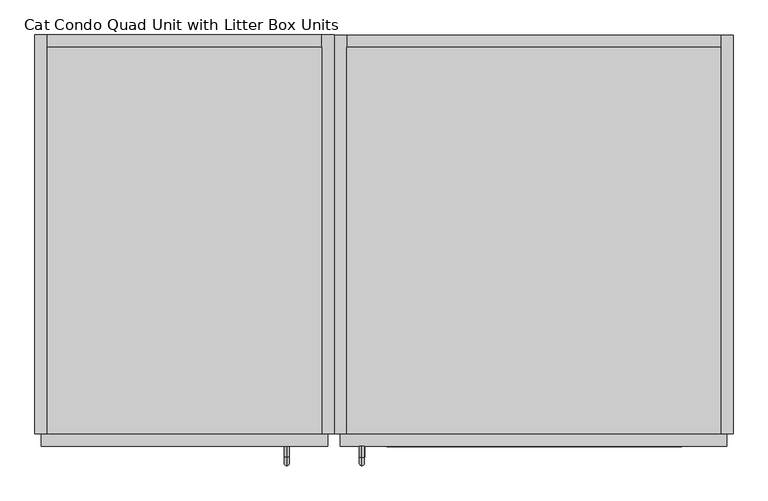
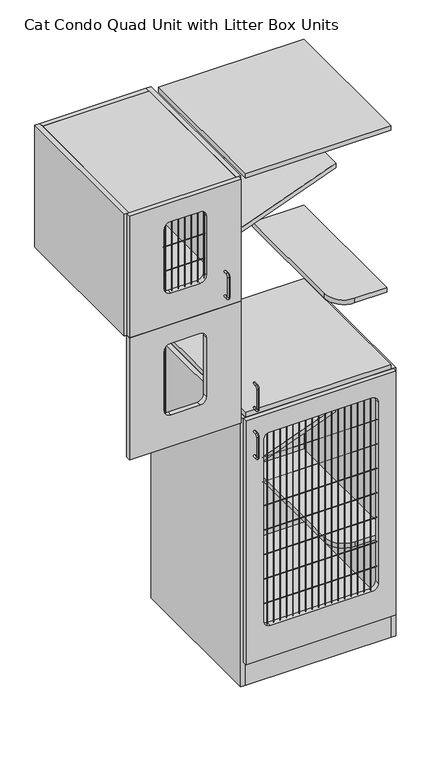
"""IFC4 building model written with IfcOpenShell, lengths in millimetres: proxy geometry, Cat Condo Quad Unit with Litter Box Units."""

from ifc_helpers import new_model, si_unit, point, frame, frame_2d, origin, origin_with_axes, place, context, project, spatial, polyline, circle_curve, ellipse_curve, trimmed, segment, composite_curve, outline, extrude, source, transform, mapped, element, save
from ifc_brep_helpers import plane_surface, cylinder_surface, revolved_surface, advanced_brep


def cat_condo_quad_unit_with_litter_box_units_791a8766(model_context):
    return source(origin(), model_context, "Body", "SolidModel", [
        extrude(outline(composite_curve([segment(trimmed(circle_curve(frame_2d((765.0919665, -9.6602248)), 0.79375), [point((764.2982165, -9.6602248))], [point((765.8857165, -9.6602248))], False, "CARTESIAN"), True, "CONTINUOUS"), segment(trimmed(circle_curve(frame_2d((765.0919665, -9.6602248)), 0.79375), [point((765.8857165, -9.6602248))], [point((764.2982165, -9.6602248))], False, "CARTESIAN"), True, "CONTINUOUS")], self_intersect=False)), frame((0.0, 0.0, 1243.0125), z_axis=(0.0, 0.0, 1.0), x_axis=(1.0, 0.0, 0.0)), (0.0, 0.0, 1.0), 298.45),
        extrude(outline(polyline([(1619.25, 1057.275), (1619.25, 619.125), (1112.8375, 619.125), (1112.8375, 1057.275), (1619.25, 1057.275)]), holes=[composite_curve([segment(polyline([(1539.875, 781.05), (1539.875, 895.35)]), True, "CONTINUOUS"), segment(trimmed(circle_curve(frame_2d((1514.475, 895.35)), 25.4), [point((1539.875, 895.35))], [point((1514.475, 920.75))], True, "CARTESIAN"), True, "CONTINUOUS"), segment(polyline([(1514.475, 920.75), (1268.4125, 920.75)]), True, "CONTINUOUS"), segment(trimmed(circle_curve(frame_2d((1268.4125, 895.35)), 25.4), [point((1268.4125, 920.75))], [point((1243.0125, 895.35))], True, "CARTESIAN"), True, "CONTINUOUS"), segment(polyline([(1243.0125, 895.35), (1243.0125, 781.05)]), True, "CONTINUOUS"), segment(trimmed(circle_curve(frame_2d((1268.4125, 781.05)), 25.4), [point((1243.0125, 781.05))], [point((1268.4125, 755.65))], True, "CARTESIAN"), True, "CONTINUOUS"), segment(polyline([(1268.4125, 755.65), (1514.475, 755.65)]), True, "CONTINUOUS"), segment(trimmed(circle_curve(frame_2d((1514.475, 781.05)), 25.4), [point((1514.475, 755.65))], [point((1539.875, 781.05))], True, "CARTESIAN"), True, "CONTINUOUS")], self_intersect=False)]), frame((0.0, -19.05, 0.0), z_axis=(0.0, 1.0, 0.0), x_axis=(0.0, 0.0, 1.0)), (0.0, 0.0, 1.0), 19.05),
        advanced_brep(
        [(994.1819084, -19.05, 1761.3743154), (994.1819084, -19.05, 1769.2256846), (994.1819084, -35.2117768, 1761.3743154), (994.1819084, -35.2117768, 1769.2256846), (994.1819084, -48.3756846, 1756.0617768), (994.1819084, -40.5243154, 1756.0617768), (994.1819084, -40.5243154, 1672.9382232), (994.1819084, -48.3756846, 1672.9382232), (994.1819084, -35.2117768, 1659.7743154), (994.1819084, -35.2117768, 1667.6256846), (994.1819084, -19.05, 1667.6256846), (994.1819084, -19.05, 1659.7743154)],
        [
            (0, 1, circle_curve(frame((994.1819084, -19.05, 1765.3), z_axis=(0.0, 1.0, 0.0), x_axis=(0.0, 0.0, 1.0)), 3.9256846)),
            (1, 0, circle_curve(frame((994.1819084, -19.05, 1765.3), z_axis=(0.0, 1.0, 0.0), x_axis=(0.0, 0.0, 1.0)), 3.9256846)),
            (0, 2),
            (2, 3, circle_curve(frame((994.1819084, -35.2117768, 1765.3), z_axis=(0.0, 1.0, 0.0), x_axis=(0.0, 0.0, 1.0)), 3.9256846)),
            (3, 1),
            (3, 2, circle_curve(frame((994.1819084, -35.2117768, 1765.3), z_axis=(0.0, 1.0, 0.0), x_axis=(0.0, 0.0, 1.0)), 3.9256846)),
            (4, 3, circle_curve(frame((994.1819084, -35.2117768, 1756.0617768), z_axis=(-1.0, 0.0, 0.0), x_axis=(0.0, 0.0, 1.0)), 13.1639078)),
            (2, 5, circle_curve(frame((994.1819084, -35.2117768, 1756.0617768), z_axis=(1.0, 0.0, 0.0), x_axis=(0.0, 0.0, 1.0)), 5.3125387)),
            (5, 4, circle_curve(frame((994.1819084, -44.45, 1756.0617768), z_axis=(0.0, 0.0, 1.0), x_axis=(0.0, -1.0000000000000002, 0.0)), 3.9256846)),
            (4, 5, circle_curve(frame((994.1819084, -44.45, 1756.0617768), z_axis=(0.0, 0.0, 1.0), x_axis=(0.0, -1.0000000000000002, 0.0)), 3.9256846)),
            (5, 6),
            (6, 7, circle_curve(frame((994.1819084, -44.45, 1672.9382232), z_axis=(0.0, 0.0, 1.0), x_axis=(0.0, -1.0000000000000002, 0.0)), 3.9256846)),
            (7, 4),
            (7, 6, circle_curve(frame((994.1819084, -44.45, 1672.9382232), z_axis=(0.0, 0.0, 1.0), x_axis=(0.0, -1.0000000000000002, 0.0)), 3.9256846)),
            (8, 7, circle_curve(frame((994.1819084, -35.2117768, 1672.9382232), z_axis=(-1.0, 0.0, 0.0), x_axis=(0.0, -1.0000000000000002, 0.0)), 13.1639078)),
            (6, 9, circle_curve(frame((994.1819084, -35.2117768, 1672.9382232), z_axis=(1.0, 0.0, 0.0), x_axis=(0.0, -1.0000000000000002, 0.0)), 5.3125387)),
            (9, 8, circle_curve(frame((994.1819084, -35.2117768, 1663.7), z_axis=(0.0, -1.0000000000000002, 0.0), x_axis=(0.0, 0.0, -1.0)), 3.9256846)),
            (8, 9, circle_curve(frame((994.1819084, -35.2117768, 1663.7), z_axis=(0.0, -1.0000000000000002, 0.0), x_axis=(0.0, 0.0, -1.0)), 3.9256846)),
            (10, 11, circle_curve(frame((994.1819084, -19.05, 1663.7), z_axis=(0.0, 1.0, 0.0), x_axis=(0.0, 0.0, -1.0)), 3.9256846)),
            (11, 10, circle_curve(frame((994.1819084, -19.05, 1663.7), z_axis=(0.0, 1.0, 0.0), x_axis=(0.0, 0.0, -1.0)), 3.9256846)),
            (9, 10),
            (11, 8),
        ],
        [
            plane_surface(frame((994.1819084, -19.05, 1765.3), z_axis=(0.0, 1.0, 0.0), x_axis=(1.0, 0.0, 0.0))),
            cylinder_surface(frame((994.1819084, -19.05, 1765.3), z_axis=(0.0, 1.0000000000000002, 0.0), x_axis=(0.0, 0.0, 1.0)), 3.9256846),
            revolved_surface(trimmed(ellipse_curve(frame((994.1819084, -35.2117768, 1765.3), z_axis=(0.0, 1.0000000000000002, 0.0), x_axis=(0.0, 0.0, 1.0)), 3.9256846, 3.9256846), [point((994.1819084, -35.2117768, 1761.3743154))], [point((994.1819084, -35.2117768, 1769.2256846))], True, "CARTESIAN"), (994.1819084, -35.2117768, 1756.0617768), (1.0000000000000002, 0.0, 0.0)),
            revolved_surface(trimmed(ellipse_curve(frame((994.1819084, -35.2117768, 1765.3), z_axis=(0.0, 1.0000000000000002, 0.0), x_axis=(0.0, 0.0, 1.0)), 3.9256846, 3.9256846), [point((994.1819084, -35.2117768, 1769.2256846))], [point((994.1819084, -35.2117768, 1761.3743154))], True, "CARTESIAN"), (994.1819084, -35.2117768, 1756.0617768), (1.0000000000000002, 0.0, 0.0)),
            cylinder_surface(frame((994.1819084, -44.45, 1756.0617768), z_axis=(0.0, 0.0, 1.0), x_axis=(0.0, -1.0000000000000002, 0.0)), 3.9256846),
            revolved_surface(trimmed(ellipse_curve(frame((994.1819084, -44.45, 1672.9382232), z_axis=(0.0, 0.0, 1.0), x_axis=(0.0, -1.0000000000000002, 0.0)), 3.9256846, 3.9256846), [point((994.1819084, -40.5243154, 1672.9382232))], [point((994.1819084, -48.3756846, 1672.9382232))], True, "CARTESIAN"), (994.1819084, -35.2117768, 1672.9382232), (1.0000000000000002, 0.0, 0.0)),
            revolved_surface(trimmed(ellipse_curve(frame((994.1819084, -44.45, 1672.9382232), z_axis=(0.0, 0.0, 1.0), x_axis=(0.0, -1.0000000000000002, 0.0)), 3.9256846, 3.9256846), [point((994.1819084, -48.3756846, 1672.9382232))], [point((994.1819084, -40.5243154, 1672.9382232))], True, "CARTESIAN"), (994.1819084, -35.2117768, 1672.9382232), (1.0000000000000002, 0.0, 0.0)),
            plane_surface(frame((994.1819084, -19.05, 1663.7), z_axis=(0.0, 1.0, 0.0), x_axis=(1.0, 0.0, 0.0))),
            cylinder_surface(frame((994.1819084, -35.2117768, 1663.7), z_axis=(0.0, -1.0000000000000002, 0.0), x_axis=(0.0, 0.0, -1.0)), 3.9256846),
        ],
        [
            (0, [[1, 2]]),
            (1, [[-1, 3, 4, 5]]),
            (1, [[-2, -5, 6, -3]]),
            (2, [[7, -4, 8, 9]]),
            (3, [[-8, -6, -7, 10]]),
            (4, [[-9, 11, 12, 13]]),
            (4, [[-10, -13, 14, -11]]),
            (5, [[15, -12, 16, 17]]),
            (6, [[-16, -14, -15, 18]]),
            (7, [[19, 20]]),
            (8, [[-17, 21, -20, 22]]),
            (8, [[-18, -22, -19, -21]]),
        ],
    ),
        extrude(outline(polyline([(1047.75, 590.55), (1047.75, 0.0), (628.65, 0.0), (628.65, 590.55), (1047.75, 590.55)])), frame((0.0, 0.0, 2106.6125), z_axis=(0.0, 0.0, 1.0), x_axis=(1.0, 0.0, 0.0)), (0.0, 0.0, 1.0), 19.05),
        extrude(outline(polyline([(1047.75, 0.0), (628.65, 0.0), (628.65, 590.55), (1047.75, 590.55), (1047.75, 0.0)])), frame((0.0, 0.0, 1619.25), z_axis=(0.0, 0.0, 1.0), x_axis=(1.0, 0.0, 0.0)), (0.0, 0.0, 1.0), 19.05),
        extrude(outline(polyline([(1047.75, 609.6), (1066.8, 609.6), (1066.8, 0.0), (1047.75, 0.0), (1047.75, 609.6)])), frame((0.0, 0.0, 1619.25), z_axis=(0.0, 0.0, 1.0), x_axis=(1.0, 0.0, 0.0)), (0.0, 0.0, 1.0), 506.4125),
        extrude(outline(polyline([(1047.75, 609.6), (1047.75, 590.55), (628.65, 590.55), (628.65, 609.6), (1047.75, 609.6)])), frame((0.0, 0.0, 1619.25), z_axis=(0.0, 0.0, 1.0), x_axis=(1.0, 0.0, 0.0)), (0.0, 0.0, 1.0), 506.4125),
        extrude(outline(polyline([(628.65, 609.6), (628.65, 0.0), (609.6, 0.0), (609.6, 609.6), (628.65, 609.6)])), frame((0.0, 0.0, 1619.25), z_axis=(0.0, 0.0, 1.0), x_axis=(1.0, 0.0, 0.0)), (0.0, 0.0, 1.0), 506.4125),
        extrude(outline(composite_curve([segment(trimmed(circle_curve(frame_2d((-9.6602248, 1943.1)), 0.79375), [point((-9.6602248, 1943.89375))], [point((-9.6602248, 1942.30625))], False, "CARTESIAN"), True, "CONTINUOUS"), segment(trimmed(circle_curve(frame_2d((-9.6602248, 1943.1)), 0.79375), [point((-9.6602248, 1942.30625))], [point((-9.6602248, 1943.89375))], False, "CARTESIAN"), True, "CONTINUOUS")], self_intersect=False)), frame((755.65, 0.0, 0.0), z_axis=(1.0, 0.0, 0.0), x_axis=(0.0, 1.0, 0.0)), (0.0, 0.0, 1.0), 165.1),
        extrude(outline(composite_curve([segment(trimmed(circle_curve(frame_2d((-9.6602248, 1839.9125)), 0.79375), [point((-9.6602248, 1840.70625))], [point((-9.6602248, 1839.11875))], False, "CARTESIAN"), True, "CONTINUOUS"), segment(trimmed(circle_curve(frame_2d((-9.6602248, 1839.9125)), 0.79375), [point((-9.6602248, 1839.11875))], [point((-9.6602248, 1840.70625))], False, "CARTESIAN"), True, "CONTINUOUS")], self_intersect=False)), frame((755.65, 0.0, 0.0), z_axis=(1.0, 0.0, 0.0), x_axis=(0.0, 1.0, 0.0)), (0.0, 0.0, 1.0), 165.1),
        extrude(outline(composite_curve([segment(trimmed(circle_curve(frame_2d((917.4919665, -9.6602248)), 0.79375), [point((916.6982165, -9.6602248))], [point((918.2857165, -9.6602248))], False, "CARTESIAN"), True, "CONTINUOUS"), segment(trimmed(circle_curve(frame_2d((917.4919665, -9.6602248)), 0.79375), [point((918.2857165, -9.6602248))], [point((916.6982165, -9.6602248))], False, "CARTESIAN"), True, "CONTINUOUS")], self_intersect=False)), frame((0.0, 0.0, 1749.425), z_axis=(0.0, 0.0, 1.0), x_axis=(1.0, 0.0, 0.0)), (0.0, 0.0, 1.0), 298.45),
        extrude(outline(composite_curve([segment(trimmed(circle_curve(frame_2d((892.0919665, -9.6602248)), 0.79375), [point((891.2982165, -9.6602248))], [point((892.8857165, -9.6602248))], False, "CARTESIAN"), True, "CONTINUOUS"), segment(trimmed(circle_curve(frame_2d((892.0919665, -9.6602248)), 0.79375), [point((892.8857165, -9.6602248))], [point((891.2982165, -9.6602248))], False, "CARTESIAN"), True, "CONTINUOUS")], self_intersect=False)), frame((0.0, 0.0, 1749.425), z_axis=(0.0, 0.0, 1.0), x_axis=(1.0, 0.0, 0.0)), (0.0, 0.0, 1.0), 298.45),
        extrude(outline(composite_curve([segment(trimmed(circle_curve(frame_2d((866.6919665, -9.6602248)), 0.79375), [point((865.8982165, -9.6602248))], [point((867.4857165, -9.6602248))], False, "CARTESIAN"), True, "CONTINUOUS"), segment(trimmed(circle_curve(frame_2d((866.6919665, -9.6602248)), 0.79375), [point((867.4857165, -9.6602248))], [point((865.8982165, -9.6602248))], False, "CARTESIAN"), True, "CONTINUOUS")], self_intersect=False)), frame((0.0, 0.0, 1749.425), z_axis=(0.0, 0.0, 1.0), x_axis=(1.0, 0.0, 0.0)), (0.0, 0.0, 1.0), 298.45),
        extrude(outline(composite_curve([segment(trimmed(circle_curve(frame_2d((841.2919665, -9.6602248)), 0.79375), [point((840.4982165, -9.6602248))], [point((842.0857165, -9.6602248))], False, "CARTESIAN"), True, "CONTINUOUS"), segment(trimmed(circle_curve(frame_2d((841.2919665, -9.6602248)), 0.79375), [point((842.0857165, -9.6602248))], [point((840.4982165, -9.6602248))], False, "CARTESIAN"), True, "CONTINUOUS")], self_intersect=False)), frame((0.0, 0.0, 1749.425), z_axis=(0.0, 0.0, 1.0), x_axis=(1.0, 0.0, 0.0)), (0.0, 0.0, 1.0), 298.45),
        extrude(outline(composite_curve([segment(trimmed(circle_curve(frame_2d((815.8919665, -9.6602248)), 0.79375), [point((815.0982165, -9.6602248))], [point((816.6857165, -9.6602248))], False, "CARTESIAN"), True, "CONTINUOUS"), segment(trimmed(circle_curve(frame_2d((815.8919665, -9.6602248)), 0.79375), [point((816.6857165, -9.6602248))], [point((815.0982165, -9.6602248))], False, "CARTESIAN"), True, "CONTINUOUS")], self_intersect=False)), frame((0.0, 0.0, 1749.425), z_axis=(0.0, 0.0, 1.0), x_axis=(1.0, 0.0, 0.0)), (0.0, 0.0, 1.0), 298.45),
        extrude(outline(composite_curve([segment(trimmed(circle_curve(frame_2d((790.4919665, -9.6602248)), 0.79375), [point((789.6982165, -9.6602248))], [point((791.2857165, -9.6602248))], False, "CARTESIAN"), True, "CONTINUOUS"), segment(trimmed(circle_curve(frame_2d((790.4919665, -9.6602248)), 0.79375), [point((791.2857165, -9.6602248))], [point((789.6982165, -9.6602248))], False, "CARTESIAN"), True, "CONTINUOUS")], self_intersect=False)), frame((0.0, 0.0, 1749.425), z_axis=(0.0, 0.0, 1.0), x_axis=(1.0, 0.0, 0.0)), (0.0, 0.0, 1.0), 298.45),
        extrude(outline(composite_curve([segment(trimmed(circle_curve(frame_2d((765.0919665, -9.6602248)), 0.79375), [point((764.2982165, -9.6602248))], [point((765.8857165, -9.6602248))], False, "CARTESIAN"), True, "CONTINUOUS"), segment(trimmed(circle_curve(frame_2d((765.0919665, -9.6602248)), 0.79375), [point((765.8857165, -9.6602248))], [point((764.2982165, -9.6602248))], False, "CARTESIAN"), True, "CONTINUOUS")], self_intersect=False)), frame((0.0, 0.0, 1749.425), z_axis=(0.0, 0.0, 1.0), x_axis=(1.0, 0.0, 0.0)), (0.0, 0.0, 1.0), 298.45),
        extrude(outline(composite_curve([segment(trimmed(circle_curve(frame_2d((892.0919665, -9.6602248)), 0.79375), [point((891.2982165, -9.6602248))], [point((892.8857165, -9.6602248))], False, "CARTESIAN"), True, "CONTINUOUS"), segment(trimmed(circle_curve(frame_2d((892.0919665, -9.6602248)), 0.79375), [point((892.8857165, -9.6602248))], [point((891.2982165, -9.6602248))], False, "CARTESIAN"), True, "CONTINUOUS")], self_intersect=False)), frame((0.0, 0.0, 1749.425), z_axis=(0.0, 0.0, 1.0), x_axis=(1.0, 0.0, 0.0)), (0.0, 0.0, 1.0), 298.45),
        extrude(outline(composite_curve([segment(trimmed(circle_curve(frame_2d((866.6919665, -9.6602248)), 0.79375), [point((865.8982165, -9.6602248))], [point((867.4857165, -9.6602248))], False, "CARTESIAN"), True, "CONTINUOUS"), segment(trimmed(circle_curve(frame_2d((866.6919665, -9.6602248)), 0.79375), [point((867.4857165, -9.6602248))], [point((865.8982165, -9.6602248))], False, "CARTESIAN"), True, "CONTINUOUS")], self_intersect=False)), frame((0.0, 0.0, 1749.425), z_axis=(0.0, 0.0, 1.0), x_axis=(1.0, 0.0, 0.0)), (0.0, 0.0, 1.0), 298.45),
        extrude(outline(composite_curve([segment(trimmed(circle_curve(frame_2d((841.2919665, -9.6602248)), 0.79375), [point((840.4982165, -9.6602248))], [point((842.0857165, -9.6602248))], False, "CARTESIAN"), True, "CONTINUOUS"), segment(trimmed(circle_curve(frame_2d((841.2919665, -9.6602248)), 0.79375), [point((842.0857165, -9.6602248))], [point((840.4982165, -9.6602248))], False, "CARTESIAN"), True, "CONTINUOUS")], self_intersect=False)), frame((0.0, 0.0, 1749.425), z_axis=(0.0, 0.0, 1.0), x_axis=(1.0, 0.0, 0.0)), (0.0, 0.0, 1.0), 298.45),
        extrude(outline(composite_curve([segment(trimmed(circle_curve(frame_2d((815.8919665, -9.6602248)), 0.79375), [point((815.0982165, -9.6602248))], [point((816.6857165, -9.6602248))], False, "CARTESIAN"), True, "CONTINUOUS"), segment(trimmed(circle_curve(frame_2d((815.8919665, -9.6602248)), 0.79375), [point((816.6857165, -9.6602248))], [point((815.0982165, -9.6602248))], False, "CARTESIAN"), True, "CONTINUOUS")], self_intersect=False)), frame((0.0, 0.0, 1749.425), z_axis=(0.0, 0.0, 1.0), x_axis=(1.0, 0.0, 0.0)), (0.0, 0.0, 1.0), 298.45),
        extrude(outline(composite_curve([segment(trimmed(circle_curve(frame_2d((790.4919665, -9.6602248)), 0.79375), [point((789.6982165, -9.6602248))], [point((791.2857165, -9.6602248))], False, "CARTESIAN"), True, "CONTINUOUS"), segment(trimmed(circle_curve(frame_2d((790.4919665, -9.6602248)), 0.79375), [point((791.2857165, -9.6602248))], [point((789.6982165, -9.6602248))], False, "CARTESIAN"), True, "CONTINUOUS")], self_intersect=False)), frame((0.0, 0.0, 1749.425), z_axis=(0.0, 0.0, 1.0), x_axis=(1.0, 0.0, 0.0)), (0.0, 0.0, 1.0), 298.45),
        extrude(outline(composite_curve([segment(trimmed(circle_curve(frame_2d((765.0919665, -9.6602248)), 0.79375), [point((764.2982165, -9.6602248))], [point((765.8857165, -9.6602248))], False, "CARTESIAN"), True, "CONTINUOUS"), segment(trimmed(circle_curve(frame_2d((765.0919665, -9.6602248)), 0.79375), [point((765.8857165, -9.6602248))], [point((764.2982165, -9.6602248))], False, "CARTESIAN"), True, "CONTINUOUS")], self_intersect=False)), frame((0.0, 0.0, 1749.425), z_axis=(0.0, 0.0, 1.0), x_axis=(1.0, 0.0, 0.0)), (0.0, 0.0, 1.0), 298.45),
        extrude(outline(polyline([(2125.6625, 1057.275), (2125.6625, 619.125), (1619.25, 619.125), (1619.25, 1057.275), (2125.6625, 1057.275)]), holes=[composite_curve([segment(polyline([(2046.2875, 781.05), (2046.2875, 895.35)]), True, "CONTINUOUS"), segment(trimmed(circle_curve(frame_2d((2020.8875, 895.35)), 25.4), [point((2046.2875, 895.35))], [point((2020.8875, 920.75))], True, "CARTESIAN"), True, "CONTINUOUS"), segment(polyline([(2020.8875, 920.75), (1774.825, 920.75)]), True, "CONTINUOUS"), segment(trimmed(circle_curve(frame_2d((1774.825, 895.35)), 25.4), [point((1774.825, 920.75))], [point((1749.425, 895.35))], True, "CARTESIAN"), True, "CONTINUOUS"), segment(polyline([(1749.425, 895.35), (1749.425, 781.05)]), True, "CONTINUOUS"), segment(trimmed(circle_curve(frame_2d((1774.825, 781.05)), 25.4), [point((1749.425, 781.05))], [point((1774.825, 755.65))], True, "CARTESIAN"), True, "CONTINUOUS"), segment(polyline([(1774.825, 755.65), (2020.8875, 755.65)]), True, "CONTINUOUS"), segment(trimmed(circle_curve(frame_2d((2020.8875, 781.05)), 25.4), [point((2020.8875, 755.65))], [point((2046.2875, 781.05))], True, "CARTESIAN"), True, "CONTINUOUS")], self_intersect=False)]), frame((0.0, -19.05, 0.0), z_axis=(0.0, 1.0, 0.0), x_axis=(0.0, 0.0, 1.0)), (0.0, 0.0, 1.0), 19.05),
        advanced_brep(
        [(1109.2871577, -19.05, 1056.5243154), (1109.2871577, -19.05, 1064.3756846), (1109.2871577, -35.2117768, 1056.5243154), (1109.2871577, -35.2117768, 1064.3756846), (1109.2871577, -35.2117768, 962.7756846), (1109.2871577, -19.05, 962.7756846), (1109.2871577, -19.05, 954.9243154), (1109.2871577, -35.2117768, 954.9243154), (1109.2871577, -48.3756846, 1051.2117768), (1109.2871577, -40.5243154, 1051.2117768), (1109.2871577, -48.3756846, 968.0882232), (1109.2871577, -40.5243154, 968.0882232)],
        [
            (0, 1, circle_curve(frame((1109.2871577, -19.05, 1060.45), z_axis=(0.0, 1.0, 0.0), x_axis=(0.0, 0.0, 1.0)), 3.9256846)),
            (1, 0, circle_curve(frame((1109.2871577, -19.05, 1060.45), z_axis=(0.0, 1.0, 0.0), x_axis=(0.0, 0.0, 1.0)), 3.9256846)),
            (0, 2),
            (2, 3, circle_curve(frame((1109.2871577, -35.2117768, 1060.45), z_axis=(0.0, 1.0, 0.0), x_axis=(0.0, 0.0, 1.0)), 3.9256846)),
            (3, 1),
            (4, 5),
            (5, 6, circle_curve(frame((1109.2871577, -19.05, 958.85), z_axis=(0.0, -1.0, 0.0), x_axis=(0.0, 0.0, -1.0)), 3.9256846)),
            (6, 7),
            (7, 4, circle_curve(frame((1109.2871577, -35.2117768, 958.85), z_axis=(0.0, 1.0, 0.0), x_axis=(0.0, 0.0, -1.0)), 3.9256846)),
            (3, 2, circle_curve(frame((1109.2871577, -35.2117768, 1060.45), z_axis=(0.0, 1.0, 0.0), x_axis=(0.0, 0.0, 1.0)), 3.9256846)),
            (8, 9, circle_curve(frame((1109.2871577, -44.45, 1051.2117768), z_axis=(0.0, 0.0, 1.0), x_axis=(0.0, -1.0, 0.0)), 3.9256846)),
            (9, 2, circle_curve(frame((1109.2871577, -35.2117768, 1051.2117768), z_axis=(-1.0, 0.0, 0.0), x_axis=(0.0, 0.0, 1.0)), 5.3125387)),
            (3, 8, circle_curve(frame((1109.2871577, -35.2117768, 1051.2117768), z_axis=(1.0, 0.0, 0.0), x_axis=(0.0, 0.0, 1.0)), 13.1639078)),
            (9, 8, circle_curve(frame((1109.2871577, -44.45, 1051.2117768), z_axis=(0.0, 0.0, 1.0), x_axis=(0.0, -1.0, 0.0)), 3.9256846)),
            (8, 10),
            (10, 11, circle_curve(frame((1109.2871577, -44.45, 968.0882232), z_axis=(0.0, 0.0, 1.0), x_axis=(0.0, -1.0, 0.0)), 3.9256846)),
            (11, 9),
            (11, 10, circle_curve(frame((1109.2871577, -44.45, 968.0882232), z_axis=(0.0, 0.0, 1.0), x_axis=(0.0, -1.0, 0.0)), 3.9256846)),
            (7, 4, circle_curve(frame((1109.2871577, -35.2117768, 958.85), z_axis=(0.0, -1.0, 0.0), x_axis=(0.0, 0.0, -1.0)), 3.9256846)),
            (4, 11, circle_curve(frame((1109.2871577, -35.2117768, 968.0882232), z_axis=(-1.0, 0.0, 0.0), x_axis=(0.0, -1.0, 0.0)), 5.3125387)),
            (10, 7, circle_curve(frame((1109.2871577, -35.2117768, 968.0882232), z_axis=(1.0, 0.0, 0.0), x_axis=(0.0, -1.0, 0.0)), 13.1639078)),
            (5, 6, circle_curve(frame((1109.2871577, -19.05, 958.85), z_axis=(0.0, 1.0, 0.0), x_axis=(0.0, 0.0, -1.0)), 3.9256846)),
        ],
        [
            plane_surface(frame((1109.2871577, -19.05, 1060.45), z_axis=(0.0, 1.0, 0.0), x_axis=(-1.0, 0.0, 0.0))),
            cylinder_surface(frame((1109.2871577, -19.05, 1060.45), z_axis=(0.0, 1.0, 0.0), x_axis=(0.0, 0.0, 1.0)), 3.9256846),
            cylinder_surface(frame((1109.2871577, -35.2117768, 958.85), z_axis=(0.0, -1.0, 0.0), x_axis=(0.0, 0.0, -1.0)), 3.9256846),
            revolved_surface(trimmed(ellipse_curve(frame((1109.2871577, -35.2117768, 1060.45), z_axis=(0.0, -1.0, 0.0), x_axis=(0.0, 0.0, 1.0)), 3.9256846, 3.9256846), [point((1109.2871577, -35.2117768, 1056.5243154))], [point((1109.2871577, -35.2117768, 1064.3756846))], True, "CARTESIAN"), (1109.2871577, -35.2117768, 1051.2117768), (-1.0, 0.0, 0.0)),
            revolved_surface(trimmed(ellipse_curve(frame((1109.2871577, -35.2117768, 1060.45), z_axis=(0.0, -1.0, 0.0), x_axis=(0.0, 0.0, 1.0)), 3.9256846, 3.9256846), [point((1109.2871577, -35.2117768, 1064.3756846))], [point((1109.2871577, -35.2117768, 1056.5243154))], True, "CARTESIAN"), (1109.2871577, -35.2117768, 1051.2117768), (-1.0, 0.0, 0.0)),
            cylinder_surface(frame((1109.2871577, -44.45, 1051.2117768), z_axis=(0.0, 0.0, 1.0), x_axis=(0.0, -1.0, 0.0)), 3.9256846),
            revolved_surface(trimmed(ellipse_curve(frame((1109.2871577, -44.45, 968.0882232), z_axis=(0.0, 0.0, -1.0), x_axis=(0.0, -1.0, 0.0)), 3.9256846, 3.9256846), [point((1109.2871577, -40.5243154, 968.0882232))], [point((1109.2871577, -48.3756846, 968.0882232))], True, "CARTESIAN"), (1109.2871577, -35.2117768, 968.0882232), (-1.0, 0.0, 0.0)),
            revolved_surface(trimmed(ellipse_curve(frame((1109.2871577, -44.45, 968.0882232), z_axis=(0.0, 0.0, -1.0), x_axis=(0.0, -1.0, 0.0)), 3.9256846, 3.9256846), [point((1109.2871577, -48.3756846, 968.0882232))], [point((1109.2871577, -40.5243154, 968.0882232))], True, "CARTESIAN"), (1109.2871577, -35.2117768, 968.0882232), (-1.0, 0.0, 0.0)),
            plane_surface(frame((1109.2871577, -19.05, 958.85), z_axis=(0.0, 1.0, 0.0), x_axis=(-1.0, 0.0, 0.0))),
        ],
        [
            (0, [[1, 2]]),
            (1, [[3, 4, 5, -1]]),
            (2, [[6, 7, 8, 9]]),
            (1, [[-5, 10, -3, -2]]),
            (3, [[11, 12, -10, 13]]),
            (4, [[14, -13, -4, -12]]),
            (5, [[15, 16, 17, -11]]),
            (5, [[-17, 18, -15, -14]]),
            (6, [[19, 20, -16, 21]]),
            (7, [[-9, -21, -18, -20]]),
            (8, [[22, -7]]),
            (2, [[-8, -22, -6, -19]]),
        ],
    ),
        extrude(outline(polyline([(1085.85, 590.55), (1657.35, 590.55), (1657.35, 0.0), (1085.85, 0.0), (1085.85, 590.55)])), frame((0.0, 0.0, 1095.375), z_axis=(0.0, 0.0, 1.0), x_axis=(1.0, 0.0, 0.0)), (0.0, 0.0, 1.0), 19.05),
        extrude(outline(polyline([(1085.85, 590.55), (1657.35, 590.55), (1657.35, 374.65), (1085.85, 166.6410111), (1085.85, 590.55)])), frame((0.0, 0.0, 711.2), z_axis=(0.0, 0.0, 1.0), x_axis=(1.0, 0.0, 0.0)), (0.0, 0.0, 1.0), 19.05),
        extrude(outline(composite_curve([segment(polyline([(1454.15, 590.55), (1657.35, 590.55), (1657.35, 25.4), (1530.35, 25.4)]), True, "CONTINUOUS"), segment(trimmed(circle_curve(frame_2d((1530.35, 101.6)), 76.2), [point((1530.35, 25.4))], [point((1454.15, 101.6))], False, "CARTESIAN"), True, "CONTINUOUS"), segment(polyline([(1454.15, 101.6), (1454.15, 590.55)]), True, "CONTINUOUS")], self_intersect=False)), frame((0.0, 0.0, 406.4), z_axis=(0.0, 0.0, 1.0), x_axis=(1.0, 0.0, 0.0)), (0.0, 0.0, 1.0), 19.05),
        extrude(outline(polyline([(1085.85, 0.0), (1085.85, 590.55), (1657.35, 590.55), (1657.35, 0.0), (1085.85, 0.0)])), frame((0.0, 0.0, 101.6), z_axis=(0.0, 0.0, 1.0), x_axis=(1.0, 0.0, 0.0)), (0.0, 0.0, 1.0), 19.05),
        extrude(outline(polyline([(1085.85, 19.05), (1657.35, 19.05), (1657.35, 0.0), (1085.85, 0.0), (1085.85, 19.05)])), origin_with_axes(), (0.0, 0.0, 1.0), 101.6),
        extrude(outline(polyline([(1085.85, 609.6), (1085.85, 0.0), (1066.8, 0.0), (1066.8, 609.6), (1085.85, 609.6)])), origin_with_axes(), (0.0, 0.0, 1.0), 1114.425),
        extrude(outline(polyline([(1085.85, 609.6), (1657.35, 609.6), (1657.35, 590.55), (1085.85, 590.55), (1085.85, 609.6)])), origin_with_axes(), (0.0, 0.0, 1.0), 1114.425),
        extrude(outline(polyline([(1657.35, 609.6), (1676.4, 609.6), (1676.4, 0.0), (1657.35, 0.0), (1657.35, 609.6)])), origin_with_axes(), (0.0, 0.0, 1.0), 1114.425),
        extrude(outline(composite_curve([segment(trimmed(circle_curve(frame_2d((-9.6602248, 931.8625)), 0.79375), [point((-9.6602248, 932.65625))], [point((-9.6602248, 931.06875))], False, "CARTESIAN"), True, "CONTINUOUS"), segment(trimmed(circle_curve(frame_2d((-9.6602248, 931.8625)), 0.79375), [point((-9.6602248, 931.06875))], [point((-9.6602248, 932.65625))], False, "CARTESIAN"), True, "CONTINUOUS")], self_intersect=False)), frame((1146.96875, 0.0, 0.0), z_axis=(1.0, 0.0, 0.0), x_axis=(0.0, 1.0, 0.0)), (0.0, 0.0, 1.0), 450.85),
        extrude(outline(composite_curve([segment(trimmed(circle_curve(frame_2d((-9.6602248, 830.2625)), 0.79375), [point((-9.6602248, 831.05625))], [point((-9.6602248, 829.46875))], False, "CARTESIAN"), True, "CONTINUOUS"), segment(trimmed(circle_curve(frame_2d((-9.6602248, 830.2625)), 0.79375), [point((-9.6602248, 829.46875))], [point((-9.6602248, 831.05625))], False, "CARTESIAN"), True, "CONTINUOUS")], self_intersect=False)), frame((1146.96875, 0.0, 0.0), z_axis=(1.0, 0.0, 0.0), x_axis=(0.0, 1.0, 0.0)), (0.0, 0.0, 1.0), 450.85),
        extrude(outline(composite_curve([segment(trimmed(circle_curve(frame_2d((-9.6602248, 728.6625)), 0.79375), [point((-9.6602248, 729.45625))], [point((-9.6602248, 727.86875))], False, "CARTESIAN"), True, "CONTINUOUS"), segment(trimmed(circle_curve(frame_2d((-9.6602248, 728.6625)), 0.79375), [point((-9.6602248, 727.86875))], [point((-9.6602248, 729.45625))], False, "CARTESIAN"), True, "CONTINUOUS")], self_intersect=False)), frame((1146.96875, 0.0, 0.0), z_axis=(1.0, 0.0, 0.0), x_axis=(0.0, 1.0, 0.0)), (0.0, 0.0, 1.0), 450.85),
        extrude(outline(composite_curve([segment(trimmed(circle_curve(frame_2d((-9.6602248, 627.0625)), 0.79375), [point((-9.6602248, 627.85625))], [point((-9.6602248, 626.26875))], False, "CARTESIAN"), True, "CONTINUOUS"), segment(trimmed(circle_curve(frame_2d((-9.6602248, 627.0625)), 0.79375), [point((-9.6602248, 626.26875))], [point((-9.6602248, 627.85625))], False, "CARTESIAN"), True, "CONTINUOUS")], self_intersect=False)), frame((1146.96875, 0.0, 0.0), z_axis=(1.0, 0.0, 0.0), x_axis=(0.0, 1.0, 0.0)), (0.0, 0.0, 1.0), 450.85),
        extrude(outline(composite_curve([segment(trimmed(circle_curve(frame_2d((-9.6602248, 525.4625)), 0.79375), [point((-9.6602248, 526.25625))], [point((-9.6602248, 524.66875))], False, "CARTESIAN"), True, "CONTINUOUS"), segment(trimmed(circle_curve(frame_2d((-9.6602248, 525.4625)), 0.79375), [point((-9.6602248, 524.66875))], [point((-9.6602248, 526.25625))], False, "CARTESIAN"), True, "CONTINUOUS")], self_intersect=False)), frame((1146.96875, 0.0, 0.0), z_axis=(1.0, 0.0, 0.0), x_axis=(0.0, 1.0, 0.0)), (0.0, 0.0, 1.0), 450.85),
        extrude(outline(composite_curve([segment(trimmed(circle_curve(frame_2d((-9.6602248, 423.8625)), 0.79375), [point((-9.6602248, 424.65625))], [point((-9.6602248, 423.06875))], False, "CARTESIAN"), True, "CONTINUOUS"), segment(trimmed(circle_curve(frame_2d((-9.6602248, 423.8625)), 0.79375), [point((-9.6602248, 423.06875))], [point((-9.6602248, 424.65625))], False, "CARTESIAN"), True, "CONTINUOUS")], self_intersect=False)), frame((1146.96875, 0.0, 0.0), z_axis=(1.0, 0.0, 0.0), x_axis=(0.0, 1.0, 0.0)), (0.0, 0.0, 1.0), 450.85),
        extrude(outline(composite_curve([segment(trimmed(circle_curve(frame_2d((-9.6602248, 322.2625)), 0.79375), [point((-9.6602248, 323.05625))], [point((-9.6602248, 321.46875))], False, "CARTESIAN"), True, "CONTINUOUS"), segment(trimmed(circle_curve(frame_2d((-9.6602248, 322.2625)), 0.79375), [point((-9.6602248, 321.46875))], [point((-9.6602248, 323.05625))], False, "CARTESIAN"), True, "CONTINUOUS")], self_intersect=False)), frame((1146.96875, 0.0, 0.0), z_axis=(1.0, 0.0, 0.0), x_axis=(0.0, 1.0, 0.0)), (0.0, 0.0, 1.0), 450.85),
        extrude(outline(composite_curve([segment(trimmed(circle_curve(frame_2d((1165.3080335, -9.6602248)), 0.79375), [point((1166.1017835, -9.6602248))], [point((1164.5142835, -9.6602248))], False, "CARTESIAN"), True, "CONTINUOUS"), segment(trimmed(circle_curve(frame_2d((1165.3080335, -9.6602248)), 0.79375), [point((1164.5142835, -9.6602248))], [point((1166.1017835, -9.6602248))], False, "CARTESIAN"), True, "CONTINUOUS")], self_intersect=False)), frame((0.0, 0.0, 231.775), z_axis=(0.0, 0.0, 1.0), x_axis=(1.0, 0.0, 0.0)), (0.0, 0.0, 1.0), 803.275),
        extrude(outline(composite_curve([segment(trimmed(circle_curve(frame_2d((1190.7080335, -9.6602248)), 0.79375), [point((1191.5017835, -9.6602248))], [point((1189.9142835, -9.6602248))], False, "CARTESIAN"), True, "CONTINUOUS"), segment(trimmed(circle_curve(frame_2d((1190.7080335, -9.6602248)), 0.79375), [point((1189.9142835, -9.6602248))], [point((1191.5017835, -9.6602248))], False, "CARTESIAN"), True, "CONTINUOUS")], self_intersect=False)), frame((0.0, 0.0, 231.775), z_axis=(0.0, 0.0, 1.0), x_axis=(1.0, 0.0, 0.0)), (0.0, 0.0, 1.0), 803.275),
        extrude(outline(composite_curve([segment(trimmed(circle_curve(frame_2d((1216.1080335, -9.6602248)), 0.79375), [point((1216.9017835, -9.6602248))], [point((1215.3142835, -9.6602248))], False, "CARTESIAN"), True, "CONTINUOUS"), segment(trimmed(circle_curve(frame_2d((1216.1080335, -9.6602248)), 0.79375), [point((1215.3142835, -9.6602248))], [point((1216.9017835, -9.6602248))], False, "CARTESIAN"), True, "CONTINUOUS")], self_intersect=False)), frame((0.0, 0.0, 231.775), z_axis=(0.0, 0.0, 1.0), x_axis=(1.0, 0.0, 0.0)), (0.0, 0.0, 1.0), 803.275),
        extrude(outline(composite_curve([segment(trimmed(circle_curve(frame_2d((1241.5080335, -9.6602248)), 0.79375), [point((1242.3017835, -9.6602248))], [point((1240.7142835, -9.6602248))], False, "CARTESIAN"), True, "CONTINUOUS"), segment(trimmed(circle_curve(frame_2d((1241.5080335, -9.6602248)), 0.79375), [point((1240.7142835, -9.6602248))], [point((1242.3017835, -9.6602248))], False, "CARTESIAN"), True, "CONTINUOUS")], self_intersect=False)), frame((0.0, 0.0, 231.775), z_axis=(0.0, 0.0, 1.0), x_axis=(1.0, 0.0, 0.0)), (0.0, 0.0, 1.0), 803.275),
        extrude(outline(composite_curve([segment(trimmed(circle_curve(frame_2d((1266.9080335, -9.6602248)), 0.79375), [point((1267.7017835, -9.6602248))], [point((1266.1142835, -9.6602248))], False, "CARTESIAN"), True, "CONTINUOUS"), segment(trimmed(circle_curve(frame_2d((1266.9080335, -9.6602248)), 0.79375), [point((1266.1142835, -9.6602248))], [point((1267.7017835, -9.6602248))], False, "CARTESIAN"), True, "CONTINUOUS")], self_intersect=False)), frame((0.0, 0.0, 231.775), z_axis=(0.0, 0.0, 1.0), x_axis=(1.0, 0.0, 0.0)), (0.0, 0.0, 1.0), 803.275),
        extrude(outline(composite_curve([segment(trimmed(circle_curve(frame_2d((1292.3080335, -9.6602248)), 0.79375), [point((1293.1017835, -9.6602248))], [point((1291.5142835, -9.6602248))], False, "CARTESIAN"), True, "CONTINUOUS"), segment(trimmed(circle_curve(frame_2d((1292.3080335, -9.6602248)), 0.79375), [point((1291.5142835, -9.6602248))], [point((1293.1017835, -9.6602248))], False, "CARTESIAN"), True, "CONTINUOUS")], self_intersect=False)), frame((0.0, 0.0, 231.775), z_axis=(0.0, 0.0, 1.0), x_axis=(1.0, 0.0, 0.0)), (0.0, 0.0, 1.0), 803.275),
        extrude(outline(composite_curve([segment(trimmed(circle_curve(frame_2d((1317.7080335, -9.6602248)), 0.79375), [point((1318.5017835, -9.6602248))], [point((1316.9142835, -9.6602248))], False, "CARTESIAN"), True, "CONTINUOUS"), segment(trimmed(circle_curve(frame_2d((1317.7080335, -9.6602248)), 0.79375), [point((1316.9142835, -9.6602248))], [point((1318.5017835, -9.6602248))], False, "CARTESIAN"), True, "CONTINUOUS")], self_intersect=False)), frame((0.0, 0.0, 231.775), z_axis=(0.0, 0.0, 1.0), x_axis=(1.0, 0.0, 0.0)), (0.0, 0.0, 1.0), 803.275),
        extrude(outline(composite_curve([segment(trimmed(circle_curve(frame_2d((1343.1080335, -9.6602248)), 0.79375), [point((1343.9017835, -9.6602248))], [point((1342.3142835, -9.6602248))], False, "CARTESIAN"), True, "CONTINUOUS"), segment(trimmed(circle_curve(frame_2d((1343.1080335, -9.6602248)), 0.79375), [point((1342.3142835, -9.6602248))], [point((1343.9017835, -9.6602248))], False, "CARTESIAN"), True, "CONTINUOUS")], self_intersect=False)), frame((0.0, 0.0, 231.775), z_axis=(0.0, 0.0, 1.0), x_axis=(1.0, 0.0, 0.0)), (0.0, 0.0, 1.0), 803.275),
        extrude(outline(composite_curve([segment(trimmed(circle_curve(frame_2d((1368.5080335, -9.6602248)), 0.79375), [point((1369.3017835, -9.6602248))], [point((1367.7142835, -9.6602248))], False, "CARTESIAN"), True, "CONTINUOUS"), segment(trimmed(circle_curve(frame_2d((1368.5080335, -9.6602248)), 0.79375), [point((1367.7142835, -9.6602248))], [point((1369.3017835, -9.6602248))], False, "CARTESIAN"), True, "CONTINUOUS")], self_intersect=False)), frame((0.0, 0.0, 231.775), z_axis=(0.0, 0.0, 1.0), x_axis=(1.0, 0.0, 0.0)), (0.0, 0.0, 1.0), 803.275),
        extrude(outline(composite_curve([segment(trimmed(circle_curve(frame_2d((1393.9080335, -9.6602248)), 0.79375), [point((1394.7017835, -9.6602248))], [point((1393.1142835, -9.6602248))], False, "CARTESIAN"), True, "CONTINUOUS"), segment(trimmed(circle_curve(frame_2d((1393.9080335, -9.6602248)), 0.79375), [point((1393.1142835, -9.6602248))], [point((1394.7017835, -9.6602248))], False, "CARTESIAN"), True, "CONTINUOUS")], self_intersect=False)), frame((0.0, 0.0, 231.775), z_axis=(0.0, 0.0, 1.0), x_axis=(1.0, 0.0, 0.0)), (0.0, 0.0, 1.0), 803.275),
        extrude(outline(composite_curve([segment(trimmed(circle_curve(frame_2d((1419.3080335, -9.6602248)), 0.79375), [point((1420.1017835, -9.6602248))], [point((1418.5142835, -9.6602248))], False, "CARTESIAN"), True, "CONTINUOUS"), segment(trimmed(circle_curve(frame_2d((1419.3080335, -9.6602248)), 0.79375), [point((1418.5142835, -9.6602248))], [point((1420.1017835, -9.6602248))], False, "CARTESIAN"), True, "CONTINUOUS")], self_intersect=False)), frame((0.0, 0.0, 231.775), z_axis=(0.0, 0.0, 1.0), x_axis=(1.0, 0.0, 0.0)), (0.0, 0.0, 1.0), 803.275),
        extrude(outline(composite_curve([segment(trimmed(circle_curve(frame_2d((1444.7080335, -9.6602248)), 0.79375), [point((1445.5017835, -9.6602248))], [point((1443.9142835, -9.6602248))], False, "CARTESIAN"), True, "CONTINUOUS"), segment(trimmed(circle_curve(frame_2d((1444.7080335, -9.6602248)), 0.79375), [point((1443.9142835, -9.6602248))], [point((1445.5017835, -9.6602248))], False, "CARTESIAN"), True, "CONTINUOUS")], self_intersect=False)), frame((0.0, 0.0, 231.775), z_axis=(0.0, 0.0, 1.0), x_axis=(1.0, 0.0, 0.0)), (0.0, 0.0, 1.0), 803.275),
        extrude(outline(composite_curve([segment(trimmed(circle_curve(frame_2d((1470.1080335, -9.6602248)), 0.79375), [point((1470.9017835, -9.6602248))], [point((1469.3142835, -9.6602248))], False, "CARTESIAN"), True, "CONTINUOUS"), segment(trimmed(circle_curve(frame_2d((1470.1080335, -9.6602248)), 0.79375), [point((1469.3142835, -9.6602248))], [point((1470.9017835, -9.6602248))], False, "CARTESIAN"), True, "CONTINUOUS")], self_intersect=False)), frame((0.0, 0.0, 231.775), z_axis=(0.0, 0.0, 1.0), x_axis=(1.0, 0.0, 0.0)), (0.0, 0.0, 1.0), 803.275),
        extrude(outline(composite_curve([segment(trimmed(circle_curve(frame_2d((1495.5080335, -9.6602248)), 0.79375), [point((1496.3017835, -9.6602248))], [point((1494.7142835, -9.6602248))], False, "CARTESIAN"), True, "CONTINUOUS"), segment(trimmed(circle_curve(frame_2d((1495.5080335, -9.6602248)), 0.79375), [point((1494.7142835, -9.6602248))], [point((1496.3017835, -9.6602248))], False, "CARTESIAN"), True, "CONTINUOUS")], self_intersect=False)), frame((0.0, 0.0, 231.775), z_axis=(0.0, 0.0, 1.0), x_axis=(1.0, 0.0, 0.0)), (0.0, 0.0, 1.0), 803.275),
        extrude(outline(composite_curve([segment(trimmed(circle_curve(frame_2d((1520.9080335, -9.6602248)), 0.79375), [point((1521.7017835, -9.6602248))], [point((1520.1142835, -9.6602248))], False, "CARTESIAN"), True, "CONTINUOUS"), segment(trimmed(circle_curve(frame_2d((1520.9080335, -9.6602248)), 0.79375), [point((1520.1142835, -9.6602248))], [point((1521.7017835, -9.6602248))], False, "CARTESIAN"), True, "CONTINUOUS")], self_intersect=False)), frame((0.0, 0.0, 231.775), z_axis=(0.0, 0.0, 1.0), x_axis=(1.0, 0.0, 0.0)), (0.0, 0.0, 1.0), 803.275),
        extrude(outline(composite_curve([segment(trimmed(circle_curve(frame_2d((1546.3080335, -9.6602248)), 0.79375), [point((1547.1017835, -9.6602248))], [point((1545.5142835, -9.6602248))], False, "CARTESIAN"), True, "CONTINUOUS"), segment(trimmed(circle_curve(frame_2d((1546.3080335, -9.6602248)), 0.79375), [point((1545.5142835, -9.6602248))], [point((1547.1017835, -9.6602248))], False, "CARTESIAN"), True, "CONTINUOUS")], self_intersect=False)), frame((0.0, 0.0, 231.775), z_axis=(0.0, 0.0, 1.0), x_axis=(1.0, 0.0, 0.0)), (0.0, 0.0, 1.0), 803.275),
        extrude(outline(composite_curve([segment(trimmed(circle_curve(frame_2d((1571.7080335, -9.6602248)), 0.79375), [point((1572.5017835, -9.6602248))], [point((1570.9142835, -9.6602248))], False, "CARTESIAN"), True, "CONTINUOUS"), segment(trimmed(circle_curve(frame_2d((1571.7080335, -9.6602248)), 0.79375), [point((1570.9142835, -9.6602248))], [point((1572.5017835, -9.6602248))], False, "CARTESIAN"), True, "CONTINUOUS")], self_intersect=False)), frame((0.0, 0.0, 231.775), z_axis=(0.0, 0.0, 1.0), x_axis=(1.0, 0.0, 0.0)), (0.0, 0.0, 1.0), 803.275),
        extrude(outline(polyline([(1114.425, 1076.325), (101.6, 1076.325), (101.6, 1666.875), (1114.425, 1666.875), (1114.425, 1076.325)]), holes=[composite_curve([segment(trimmed(circle_curve(frame_2d((1009.65, 1572.41875)), 25.4), [point((1035.05, 1572.41875))], [point((1009.65, 1597.81875))], True, "CARTESIAN"), True, "CONTINUOUS"), segment(polyline([(1009.65, 1597.81875), (257.175, 1597.81875)]), True, "CONTINUOUS"), segment(trimmed(circle_curve(frame_2d((257.175, 1572.41875)), 25.4), [point((257.175, 1597.81875))], [point((231.775, 1572.41875))], True, "CARTESIAN"), True, "CONTINUOUS"), segment(polyline([(231.775, 1572.41875), (231.775, 1172.36875)]), True, "CONTINUOUS"), segment(trimmed(circle_curve(frame_2d((257.175, 1172.36875)), 25.4), [point((231.775, 1172.36875))], [point((257.175, 1146.96875))], True, "CARTESIAN"), True, "CONTINUOUS"), segment(polyline([(257.175, 1146.96875), (1009.65, 1146.96875)]), True, "CONTINUOUS"), segment(trimmed(circle_curve(frame_2d((1009.65, 1172.36875)), 25.4), [point((1009.65, 1146.96875))], [point((1035.05, 1172.36875))], True, "CARTESIAN"), True, "CONTINUOUS"), segment(polyline([(1035.05, 1172.36875), (1035.05, 1572.41875)]), True, "CONTINUOUS")], self_intersect=False)]), frame((0.0, -19.05, 0.0), z_axis=(0.0, 1.0, 0.0), x_axis=(0.0, 0.0, 1.0)), (0.0, 0.0, 1.0), 19.05),
        advanced_brep(
        [(1109.2871577, -19.05, 1256.5493154), (1109.2871577, -19.05, 1264.4006846), (1109.2871577, -35.2117768, 1264.4006846), (1109.2871577, -35.2117768, 1256.5493154), (1109.2871577, -48.3756846, 1251.2367768), (1109.2871577, -40.5243154, 1251.2367768), (1109.2871577, -48.3756846, 1168.1132232), (1109.2871577, -40.5243154, 1168.1132232), (1109.2871577, -35.2117768, 1154.9493154), (1109.2871577, -35.2117768, 1162.8006846), (1109.2871577, -19.05, 1162.8006846), (1109.2871577, -19.05, 1154.9493154)],
        [
            (0, 1, circle_curve(frame((1109.2871577, -19.05, 1260.475), z_axis=(0.0, 1.0, 0.0), x_axis=(0.0, 0.0, 1.0)), 3.9256846)),
            (1, 0, circle_curve(frame((1109.2871577, -19.05, 1260.475), z_axis=(0.0, 1.0, 0.0), x_axis=(0.0, 0.0, 1.0)), 3.9256846)),
            (1, 2),
            (2, 3, circle_curve(frame((1109.2871577, -35.2117768, 1260.475), z_axis=(0.0, 1.0, 0.0), x_axis=(0.0, 0.0, 1.0)), 3.9256846)),
            (3, 0),
            (3, 2, circle_curve(frame((1109.2871577, -35.2117768, 1260.475), z_axis=(0.0, 1.0, 0.0), x_axis=(0.0, 0.0, 1.0)), 3.9256846)),
            (4, 5, circle_curve(frame((1109.2871577, -44.45, 1251.2367768), z_axis=(0.0, 0.0, 1.0), x_axis=(0.0, -1.0, 0.0)), 3.9256846)),
            (5, 3, circle_curve(frame((1109.2871577, -35.2117768, 1251.2367768), z_axis=(-1.0, 0.0, 0.0), x_axis=(0.0, 0.0, 1.0)), 5.3125387)),
            (2, 4, circle_curve(frame((1109.2871577, -35.2117768, 1251.2367768), z_axis=(1.0, 0.0, 0.0), x_axis=(0.0, 0.0, 1.0)), 13.1639078)),
            (5, 4, circle_curve(frame((1109.2871577, -44.45, 1251.2367768), z_axis=(0.0, 0.0, 1.0), x_axis=(0.0, -1.0, 0.0)), 3.9256846)),
            (4, 6),
            (6, 7, circle_curve(frame((1109.2871577, -44.45, 1168.1132232), z_axis=(0.0, 0.0, 1.0), x_axis=(0.0, -1.0, 0.0)), 3.9256846)),
            (7, 5),
            (7, 6, circle_curve(frame((1109.2871577, -44.45, 1168.1132232), z_axis=(0.0, 0.0, 1.0), x_axis=(0.0, -1.0, 0.0)), 3.9256846)),
            (8, 9, circle_curve(frame((1109.2871577, -35.2117768, 1158.875), z_axis=(0.0, -1.0, 0.0), x_axis=(0.0, 0.0, -1.0)), 3.9256846)),
            (9, 7, circle_curve(frame((1109.2871577, -35.2117768, 1168.1132232), z_axis=(-1.0, 0.0, 0.0), x_axis=(0.0, -1.0, 0.0)), 5.3125387)),
            (6, 8, circle_curve(frame((1109.2871577, -35.2117768, 1168.1132232), z_axis=(1.0, 0.0, 0.0), x_axis=(0.0, -1.0, 0.0)), 13.1639078)),
            (9, 8, circle_curve(frame((1109.2871577, -35.2117768, 1158.875), z_axis=(0.0, -1.0, 0.0), x_axis=(0.0, 0.0, -1.0)), 3.9256846)),
            (10, 11, circle_curve(frame((1109.2871577, -19.05, 1158.875), z_axis=(0.0, 1.0, 0.0), x_axis=(0.0, 0.0, -1.0)), 3.9256846)),
            (11, 10, circle_curve(frame((1109.2871577, -19.05, 1158.875), z_axis=(0.0, 1.0, 0.0), x_axis=(0.0, 0.0, -1.0)), 3.9256846)),
            (8, 11),
            (10, 9),
        ],
        [
            plane_surface(frame((1109.2871577, -19.05, 1260.475), z_axis=(0.0, 1.0, 0.0), x_axis=(-1.0, 0.0, 0.0))),
            cylinder_surface(frame((1109.2871577, -19.05, 1260.475), z_axis=(0.0, 1.0, 0.0), x_axis=(0.0, 0.0, 1.0)), 3.9256846),
            revolved_surface(trimmed(ellipse_curve(frame((1109.2871577, -35.2117768, 1260.475), z_axis=(0.0, -1.0, 0.0), x_axis=(0.0, 0.0, 1.0)), 3.9256846, 3.9256846), [point((1109.2871577, -35.2117768, 1256.5493154))], [point((1109.2871577, -35.2117768, 1264.4006846))], True, "CARTESIAN"), (1109.2871577, -35.2117768, 1251.2367768), (-1.0, 0.0, 0.0)),
            revolved_surface(trimmed(ellipse_curve(frame((1109.2871577, -35.2117768, 1260.475), z_axis=(0.0, -1.0, 0.0), x_axis=(0.0, 0.0, 1.0)), 3.9256846, 3.9256846), [point((1109.2871577, -35.2117768, 1264.4006846))], [point((1109.2871577, -35.2117768, 1256.5493154))], True, "CARTESIAN"), (1109.2871577, -35.2117768, 1251.2367768), (-1.0, 0.0, 0.0)),
            cylinder_surface(frame((1109.2871577, -44.45, 1251.2367768), z_axis=(0.0, 0.0, 1.0), x_axis=(0.0, -1.0, 0.0)), 3.9256846),
            revolved_surface(trimmed(ellipse_curve(frame((1109.2871577, -44.45, 1168.1132232), z_axis=(0.0, 0.0, -1.0), x_axis=(0.0, -1.0, 0.0)), 3.9256846, 3.9256846), [point((1109.2871577, -40.5243154, 1168.1132232))], [point((1109.2871577, -48.3756846, 1168.1132232))], True, "CARTESIAN"), (1109.2871577, -35.2117768, 1168.1132232), (-1.0, 0.0, 0.0)),
            revolved_surface(trimmed(ellipse_curve(frame((1109.2871577, -44.45, 1168.1132232), z_axis=(0.0, 0.0, -1.0), x_axis=(0.0, -1.0, 0.0)), 3.9256846, 3.9256846), [point((1109.2871577, -48.3756846, 1168.1132232))], [point((1109.2871577, -40.5243154, 1168.1132232))], True, "CARTESIAN"), (1109.2871577, -35.2117768, 1168.1132232), (-1.0, 0.0, 0.0)),
            plane_surface(frame((1109.2871577, -19.05, 1158.875), z_axis=(0.0, 1.0, 0.0), x_axis=(-1.0, 0.0, 0.0))),
            cylinder_surface(frame((1109.2871577, -35.2117768, 1158.875), z_axis=(0.0, -1.0, 0.0), x_axis=(0.0, 0.0, -1.0)), 3.9256846),
        ],
        [
            (0, [[1, 2]]),
            (1, [[3, 4, 5, -2]]),
            (1, [[-5, 6, -3, -1]]),
            (2, [[7, 8, -4, 9]]),
            (3, [[10, -9, -6, -8]]),
            (4, [[11, 12, 13, -7]]),
            (4, [[-13, 14, -11, -10]]),
            (5, [[15, 16, -12, 17]]),
            (6, [[18, -17, -14, -16]]),
            (7, [[19, 20]]),
            (8, [[21, -19, 22, -15]]),
            (8, [[-22, -20, -21, -18]]),
        ],
    ),
        extrude(outline(polyline([(1085.85, 590.55), (1657.35, 590.55), (1657.35, 0.0), (1085.85, 0.0), (1085.85, 590.55)])), frame((0.0, 0.0, 2108.2), z_axis=(0.0, 0.0, 1.0), x_axis=(1.0, 0.0, 0.0)), (0.0, 0.0, 1.0), 19.05),
        extrude(outline(polyline([(1085.85, 590.55), (1657.35, 590.55), (1657.35, 374.65), (1085.85, 166.6410111), (1085.85, 590.55)])), frame((0.0, 0.0, 1724.025), z_axis=(0.0, 0.0, 1.0), x_axis=(1.0, 0.0, 0.0)), (0.0, 0.0, 1.0), 19.05),
        extrude(outline(composite_curve([segment(polyline([(1454.15, 590.55), (1657.35, 590.55), (1657.35, 25.4), (1530.35, 25.4)]), True, "CONTINUOUS"), segment(trimmed(circle_curve(frame_2d((1530.35, 101.6)), 76.2), [point((1530.35, 25.4))], [point((1454.15, 101.6))], False, "CARTESIAN"), True, "CONTINUOUS"), segment(polyline([(1454.15, 101.6), (1454.15, 590.55)]), True, "CONTINUOUS")], self_intersect=False)), frame((0.0, 0.0, 1419.225), z_axis=(0.0, 0.0, 1.0), x_axis=(1.0, 0.0, 0.0)), (0.0, 0.0, 1.0), 19.05),
        extrude(outline(polyline([(1085.85, 0.0), (1085.85, 590.55), (1657.35, 590.55), (1657.35, 0.0), (1085.85, 0.0)])), frame((0.0, 0.0, 1114.425), z_axis=(0.0, 0.0, 1.0), x_axis=(1.0, 0.0, 0.0)), (0.0, 0.0, 1.0), 19.05),
    ])


if __name__ == "__main__":
    model = new_model("IFC4")
    model_context = context("Model", 3, world=origin())
    ifc_project = project(units=[si_unit("LENGTHUNIT", "METRE", prefix="MILLI")], contexts=[model_context])
    site = spatial("IfcSite", under=ifc_project)
    building = spatial("IfcBuilding", under=site)
    placement = place(None, origin())
    cat_condo_quad_unit_with_litter_box_units_shape = cat_condo_quad_unit_with_litter_box_units_791a8766(model_context)
    element("IfcBuildingElementProxy", 1, Name="Cat Condo Quad Unit with Litter Box Units", ObjectType="Cat Condo Quad Unit with Litter Box Units", at=placement, inside=building, context=model_context, shape_type="MappedRepresentation", body=[
        mapped(cat_condo_quad_unit_with_litter_box_units_shape, transform((0.0, 0.0, 0.0), x_axis=(1.0, 0.0, 0.0), y_axis=(0.0, 1.0, 0.0), z_axis=(0.0, 0.0, 1.0))),
    ])
    save(model, "model.ifc")
